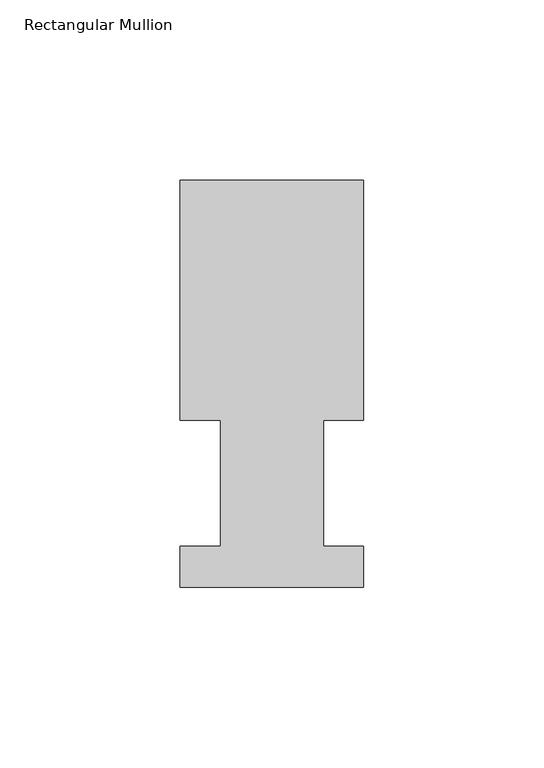
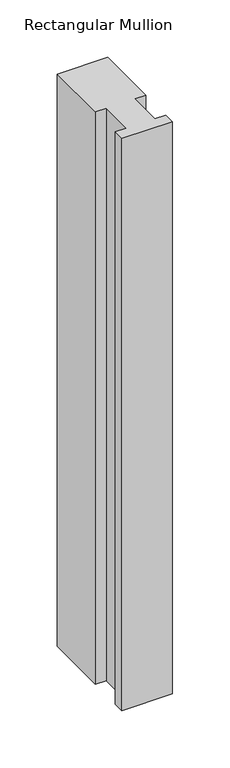
"""IFC4 building model written with IfcOpenShell, lengths in millimetres: member geometry, Rectangular Mullion."""

from ifc_helpers import new_model, si_unit, frame, origin, place, context, project, spatial, polyline, outline, extrude, source, transform, mapped, element, save


def rectangular_mullion_385f7acc(model_context):
    return source(origin(), model_context, "Body", "SweptSolid", [
        extrude(outline(polyline([(-50.8, 0.7221878), (-50.8, 12.1267878), (-39.6875, 12.1267878), (-39.6875, 47.0517878), (-50.8, 47.0517878), (-50.8, 113.4473878), (0.0, 113.4473878), (0.0, 47.0517878), (-11.0998, 47.0517878), (-11.0998, 12.1267878), (0.0, 12.1267878), (0.0, 0.7221878), (-50.8, 0.7221878)])), frame((0.0, 0.0, -609.6), z_axis=(0.0, 0.0, 1.0), x_axis=(1.0, 0.0, 0.0)), (0.0, 0.0, 1.0), 609.6),
    ])


if __name__ == "__main__":
    model = new_model("IFC4")
    model_context = context("Model", 3, world=origin())
    ifc_project = project(units=[si_unit("LENGTHUNIT", "METRE", prefix="MILLI")], contexts=[model_context])
    site = spatial("IfcSite", under=ifc_project)
    building = spatial("IfcBuilding", under=site)
    placement = place(None, origin())
    rectangular_mullion_shape = rectangular_mullion_385f7acc(model_context)
    element("IfcMember", 1, ObjectType="Rectangular Mullion", at=placement, inside=building, context=model_context, shape_type="MappedRepresentation", body=[
        mapped(rectangular_mullion_shape, transform((0.0, 0.0, 0.0), x_axis=(1.0, 0.0, 0.0), y_axis=(0.0, 1.0, 0.0), z_axis=(0.0, 0.0, 1.0))),
    ])
    save(model, "model.ifc")
